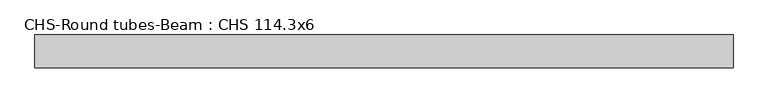
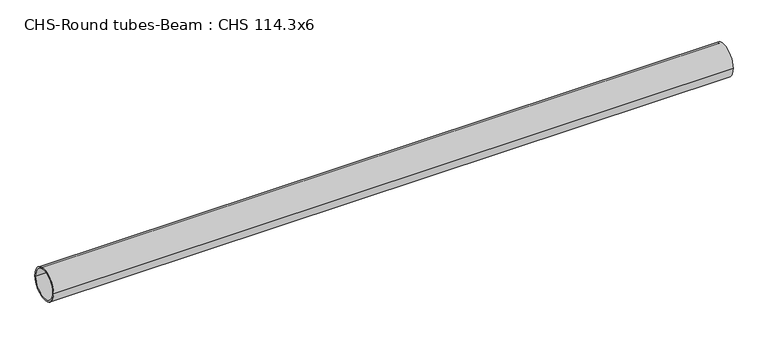
"""IFC4 building model written with IfcOpenShell, lengths in millimetres: beam geometry, CHS-Round tubes-Beam : CHS 114.3x6."""

from ifc_helpers import new_model, si_unit, point, frame, origin, origin_2d, place, context, project, spatial, circle_curve, trimmed, segment, composite_curve, outline, extrude, source, transform, mapped, element, save


def chs_round_tubes_beam_chs_114_3x6_8ceb12f4(model_context):
    return source(origin(), model_context, "Body", "SweptSolid", [
        extrude(outline(composite_curve([segment(trimmed(circle_curve(origin_2d(), 57.15), [point((57.15, 0.0))], [point((-57.15, 0.0))], False, "CARTESIAN"), True, "CONTINUOUS"), segment(trimmed(circle_curve(origin_2d(), 57.15), [point((-57.15, 0.0))], [point((57.15, 0.0))], False, "CARTESIAN"), True, "CONTINUOUS")], self_intersect=False), holes=[composite_curve([segment(trimmed(circle_curve(origin_2d(), 51.15), [point((51.15, 0.0))], [point((-51.15, 0.0))], True, "CARTESIAN"), True, "CONTINUOUS"), segment(trimmed(circle_curve(origin_2d(), 51.15), [point((-51.15, 0.0))], [point((51.15, 0.0))], True, "CARTESIAN"), True, "CONTINUOUS")], self_intersect=False)]), frame((-1161.7678716, 0.0, 0.0), z_axis=(1.0, 0.0, 0.0), x_axis=(0.0, 1.0, 0.0)), (0.0, 0.0, 1.0), 2421.9981667),
    ])


if __name__ == "__main__":
    model = new_model("IFC4")
    model_context = context("Model", 3, world=origin())
    ifc_project = project(units=[si_unit("LENGTHUNIT", "METRE", prefix="MILLI")], contexts=[model_context])
    site = spatial("IfcSite", under=ifc_project)
    building = spatial("IfcBuilding", under=site)
    placement = place(None, origin())
    chs_round_tubes_beam_chs_114_3x6_shape = chs_round_tubes_beam_chs_114_3x6_8ceb12f4(model_context)
    element("IfcBeam", 1, ObjectType="CHS-Round tubes-Beam : CHS 114.3x6", at=placement, inside=building, context=model_context, shape_type="MappedRepresentation", body=[
        mapped(chs_round_tubes_beam_chs_114_3x6_shape, transform((0.0, 0.0, 0.0), x_axis=(1.0, 0.0, 0.0), y_axis=(0.0, 1.0, 0.0), z_axis=(0.0, 0.0, 1.0))),
    ])
    save(model, "model.ifc")
